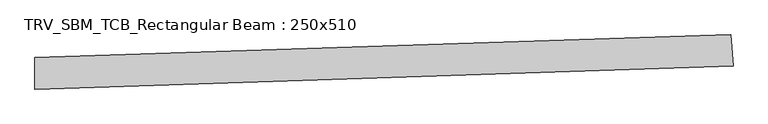
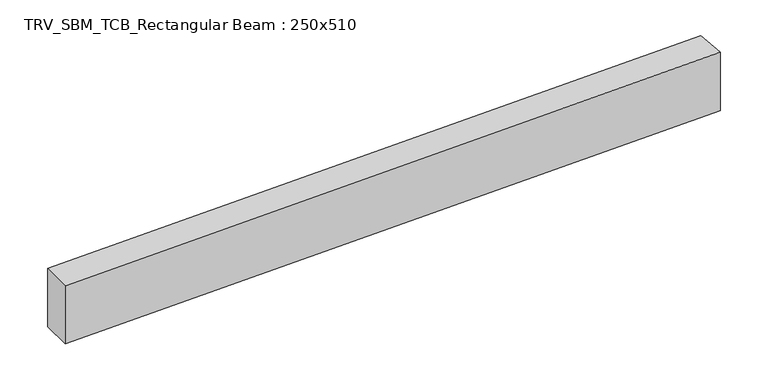
"""IFC4 building model written with IfcOpenShell, lengths in millimetres: beam geometry, TRV_SBM_TCB_Rectangular Beam : 250x510."""

from ifc_helpers import new_model, si_unit, point, frame, frame_2d, origin, place, context, project, spatial, polyline, circle_curve, trimmed, segment, composite_curve, outline, extrude, source, transform, mapped, element, save


def trv_sbm_tcb_rectangular_beam_250x510_0e066ea9(model_context):
    return source(origin(), model_context, "Body", "SweptSolid", [
        extrude(outline(composite_curve([segment(polyline([(5490.4865176, 306.7710239), (5507.0216655, 57.3184454)]), True, "CONTINUOUS"), segment(trimmed(circle_curve(frame_2d((0.0, 83137.3587983)), 83262.3587983), [point((5507.0216655, 57.3184454))], [point((-12.7192593, -124.9990285))], False, "CARTESIAN"), True, "CONTINUOUS"), segment(polyline([(-12.7192593, -124.9990285), (-12.681069, 125.0009686)]), True, "CONTINUOUS"), segment(trimmed(circle_curve(frame_2d((0.0, 83137.3587983)), 83012.3587983), [point((-12.681069, 125.0009686))], [point((5490.4865176, 306.7710239))], True, "CARTESIAN"), True, "CONTINUOUS")], self_intersect=False)), frame((0.0, 0.0, -255.0), z_axis=(0.0, 0.0, 1.0), x_axis=(1.0, 0.0, 0.0)), (0.0, 0.0, 1.0), 510.0),
    ])


if __name__ == "__main__":
    model = new_model("IFC4")
    model_context = context("Model", 3, world=origin())
    ifc_project = project(units=[si_unit("LENGTHUNIT", "METRE", prefix="MILLI")], contexts=[model_context])
    site = spatial("IfcSite", under=ifc_project)
    building = spatial("IfcBuilding", under=site)
    placement = place(None, origin())
    trv_sbm_tcb_rectangular_beam_250x510_shape = trv_sbm_tcb_rectangular_beam_250x510_0e066ea9(model_context)
    element("IfcBeam", 1, ObjectType="TRV_SBM_TCB_Rectangular Beam : 250x510", at=placement, inside=building, context=model_context, shape_type="MappedRepresentation", body=[
        mapped(trv_sbm_tcb_rectangular_beam_250x510_shape, transform((0.0, 0.0, 0.0), x_axis=(1.0, 0.0, 0.0), y_axis=(0.0, 1.0, 0.0), z_axis=(0.0, 0.0, 1.0))),
    ])
    save(model, "model.ifc")
